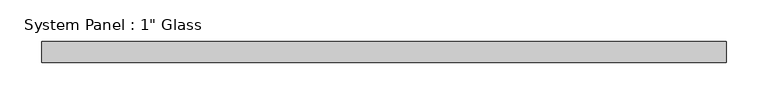
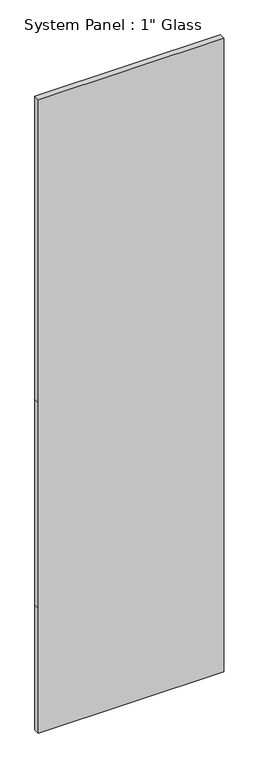
"""IFC4 building model written with IfcOpenShell, lengths in millimetres: plate geometry."""

from ifc_helpers import new_model, si_unit, frame, origin, place, context, project, spatial, polyline, outline, extrude, source, transform, mapped, element, save


def plate_f2936fad(model_context):
    return source(origin(), model_context, "Body", "SweptSolid", [
        extrude(outline(polyline([(0.0, -410.0091185), (0.0, 410.0091185), (584.2, 410.0091185), (1543.05, 410.0091185), (2959.1, 410.0091185), (2959.1, -410.0091185), (1543.05, -410.0091185), (584.2, -410.0091185), (0.0, -410.0091185)])), frame((0.0, -12.7, 0.0), z_axis=(0.0, 1.0, 0.0), x_axis=(0.0, 0.0, 1.0)), (0.0, 0.0, 1.0), 25.4),
    ])


if __name__ == "__main__":
    model = new_model("IFC4")
    model_context = context("Model", 3, world=origin())
    ifc_project = project(units=[si_unit("LENGTHUNIT", "METRE", prefix="MILLI")], contexts=[model_context])
    site = spatial("IfcSite", under=ifc_project)
    building = spatial("IfcBuilding", under=site)
    placement = place(None, origin())
    plate_shape = plate_f2936fad(model_context)
    element("IfcPlate", 1, ObjectType="System Panel : 1\" Glass", at=placement, inside=building, context=model_context, shape_type="MappedRepresentation", body=[
        mapped(plate_shape, transform((0.0, 0.0, 0.0), x_axis=(1.0, 0.0, 0.0), y_axis=(0.0, 1.0, 0.0), z_axis=(0.0, 0.0, 1.0))),
    ])
    save(model, "model.ifc")
